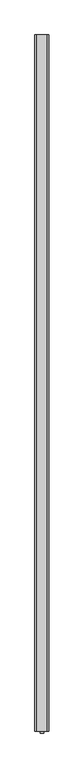
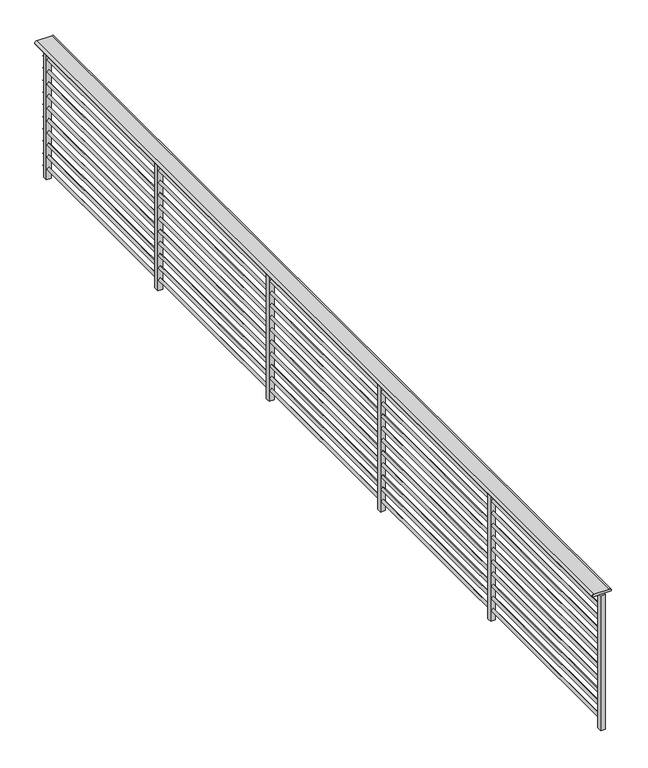
"""IFC4 building model written with IfcOpenShell, lengths in millimetres: railing geometry."""

from ifc_helpers import new_model, si_unit, point, frame, frame_2d, origin, origin_with_axes, place, context, project, spatial, polyline, circle_curve, trimmed, segment, composite_curve, outline, extrude, source, transform, mapped, element, save


def railing_2ceca3ed(model_context):
    return source(origin(), model_context, "Body", "SweptSolid", [
        extrude(outline(composite_curve([segment(trimmed(circle_curve(frame_2d((888.0, -18357.3378421)), 12.0), [point((900.0, -18357.3378421))], [point((888.0, -18369.3378421))], False, "CARTESIAN"), True, "CONTINUOUS"), segment(polyline([(888.0, -18369.3378421), (884.8828423, -18369.3378421), (884.8828423, -18249.3378421), (888.0, -18249.3378421)]), True, "CONTINUOUS"), segment(trimmed(circle_curve(frame_2d((888.0, -18261.3378421)), 12.0), [point((888.0, -18249.3378421))], [point((900.0, -18261.3378421))], False, "CARTESIAN"), True, "CONTINUOUS"), segment(polyline([(900.0, -18261.3378421), (900.0, -18357.3378421)]), True, "CONTINUOUS")], self_intersect=False)), frame((0.0, -25768.5136765, 0.0), z_axis=(0.0, 1.0, 0.0), x_axis=(0.0, 0.0, 1.0)), (0.0, 0.0, 1.0), 6000.0),
        extrude(outline(polyline([(0.0, -17.0), (0.0, 0.0), (6000.0, 0.0), (6000.0, -17.0), (0.0, -17.0)])), frame((-18321.3586574, -25768.5136765, 787.9791847), z_axis=(0.7071067811865472, 0.0, 0.7071067811865479), x_axis=(0.0, 1.0, 0.0)), (0.0, 0.0, 1.0), 17.0),
        extrude(outline(polyline([(0.0, -17.0), (0.0, 0.0), (6000.0, 0.0), (6000.0, -17.0), (0.0, -17.0)])), frame((-18321.3586574, -25768.5136765, 707.9791847), z_axis=(0.7071067811865472, 0.0, 0.7071067811865479), x_axis=(0.0, 1.0, 0.0)), (0.0, 0.0, 1.0), 17.0),
        extrude(outline(polyline([(0.0, -17.0), (0.0, 0.0), (6000.0, 0.0), (6000.0, -17.0), (0.0, -17.0)])), frame((-18321.3586574, -25768.5136765, 627.9791847), z_axis=(0.7071067811865472, 0.0, 0.7071067811865479), x_axis=(0.0, 1.0, 0.0)), (0.0, 0.0, 1.0), 17.0),
        extrude(outline(polyline([(0.0, -17.0), (0.0, 0.0), (6000.0, 0.0), (6000.0, -17.0), (0.0, -17.0)])), frame((-18321.3586574, -25768.5136765, 547.9791847), z_axis=(0.7071067811865472, 0.0, 0.7071067811865479), x_axis=(0.0, 1.0, 0.0)), (0.0, 0.0, 1.0), 17.0),
        extrude(outline(polyline([(0.0, -17.0), (0.0, 0.0), (6000.0, 0.0), (6000.0, -17.0), (0.0, -17.0)])), frame((-18321.3586574, -25768.5136765, 467.9791847), z_axis=(0.7071067811865472, 0.0, 0.7071067811865479), x_axis=(0.0, 1.0, 0.0)), (0.0, 0.0, 1.0), 17.0),
        extrude(outline(polyline([(0.0, -17.0), (0.0, 0.0), (6000.0, 0.0), (6000.0, -17.0), (0.0, -17.0)])), frame((-18321.3586574, -25768.5136765, 387.9791847), z_axis=(0.7071067811865472, 0.0, 0.7071067811865479), x_axis=(0.0, 1.0, 0.0)), (0.0, 0.0, 1.0), 17.0),
        extrude(outline(polyline([(0.0, -17.0), (0.0, 0.0), (6000.0, 0.0), (6000.0, -17.0), (0.0, -17.0)])), frame((-18321.3586574, -25768.5136765, 307.9791847), z_axis=(0.7071067811865472, 0.0, 0.7071067811865479), x_axis=(0.0, 1.0, 0.0)), (0.0, 0.0, 1.0), 17.0),
        extrude(outline(polyline([(0.0, -17.0), (0.0, 0.0), (6000.0, 0.0), (6000.0, -17.0), (0.0, -17.0)])), frame((-18321.3586574, -25768.5136765, 227.9791847), z_axis=(0.7071067811865472, 0.0, 0.7071067811865479), x_axis=(0.0, 1.0, 0.0)), (0.0, 0.0, 1.0), 17.0),
        extrude(outline(polyline([(0.0, -17.0), (0.0, 0.0), (6000.0, 0.0), (6000.0, -17.0), (0.0, -17.0)])), frame((-18321.3586574, -25768.5136765, 147.9791847), z_axis=(0.7071067811865472, 0.0, 0.7071067811865479), x_axis=(0.0, 1.0, 0.0)), (0.0, 0.0, 1.0), 17.0),
        extrude(outline(polyline([(0.0, -17.0), (0.0, 0.0), (6000.0, 0.0), (6000.0, -17.0), (0.0, -17.0)])), frame((-18321.3586574, -25768.5136765, 67.9791847), z_axis=(0.7071067811865472, 0.0, 0.7071067811865479), x_axis=(0.0, 1.0, 0.0)), (0.0, 0.0, 1.0), 17.0),
        extrude(outline(polyline([(-18294.3378421, -19813.5136765), (-18324.3378421, -19813.5136765), (-18324.3378421, -19783.5136765), (-18294.3378421, -19783.5136765), (-18294.3378421, -19813.5136765)])), origin_with_axes(), (0.0, 0.0, 1.0), 884.8828423),
        extrude(outline(polyline([(-18294.3378421, -21013.5136765), (-18324.3378421, -21013.5136765), (-18324.3378421, -20983.5136765), (-18294.3378421, -20983.5136765), (-18294.3378421, -21013.5136765)])), origin_with_axes(), (0.0, 0.0, 1.0), 884.8828423),
        extrude(outline(polyline([(-18294.3378421, -22213.5136765), (-18324.3378421, -22213.5136765), (-18324.3378421, -22183.5136765), (-18294.3378421, -22183.5136765), (-18294.3378421, -22213.5136765)])), origin_with_axes(), (0.0, 0.0, 1.0), 884.8828423),
        extrude(outline(polyline([(-18294.3378421, -23413.5136765), (-18324.3378421, -23413.5136765), (-18324.3378421, -23383.5136765), (-18294.3378421, -23383.5136765), (-18294.3378421, -23413.5136765)])), origin_with_axes(), (0.0, 0.0, 1.0), 884.8828423),
        extrude(outline(polyline([(-18294.3378421, -24598.5136765), (-18324.3378421, -24598.5136765), (-18324.3378421, -24568.5136765), (-18294.3378421, -24568.5136765), (-18294.3378421, -24598.5136765)])), origin_with_axes(), (0.0, 0.0, 1.0), 884.8828423),
        extrude(outline(polyline([(-18294.3378421, -25783.5136765), (-18324.3378421, -25783.5136765), (-18324.3378421, -25753.5136765), (-18294.3378421, -25753.5136765), (-18294.3378421, -25783.5136765)])), origin_with_axes(), (0.0, 0.0, 1.0), 884.8828423),
    ])


if __name__ == "__main__":
    model = new_model("IFC4")
    model_context = context("Model", 3, world=origin())
    ifc_project = project(units=[si_unit("LENGTHUNIT", "METRE", prefix="MILLI")], contexts=[model_context])
    site = spatial("IfcSite", under=ifc_project)
    building = spatial("IfcBuilding", under=site)
    placement = place(None, origin())
    railing_shape = railing_2ceca3ed(model_context)
    element("IfcRailing", 1, at=placement, inside=building, context=model_context, shape_type="MappedRepresentation", body=[
        mapped(railing_shape, transform((0.0, 0.0, 0.0), x_axis=(1.0, 0.0, 0.0), y_axis=(0.0, 1.0, 0.0), z_axis=(0.0, 0.0, 1.0))),
    ])
    save(model, "model.ifc")
